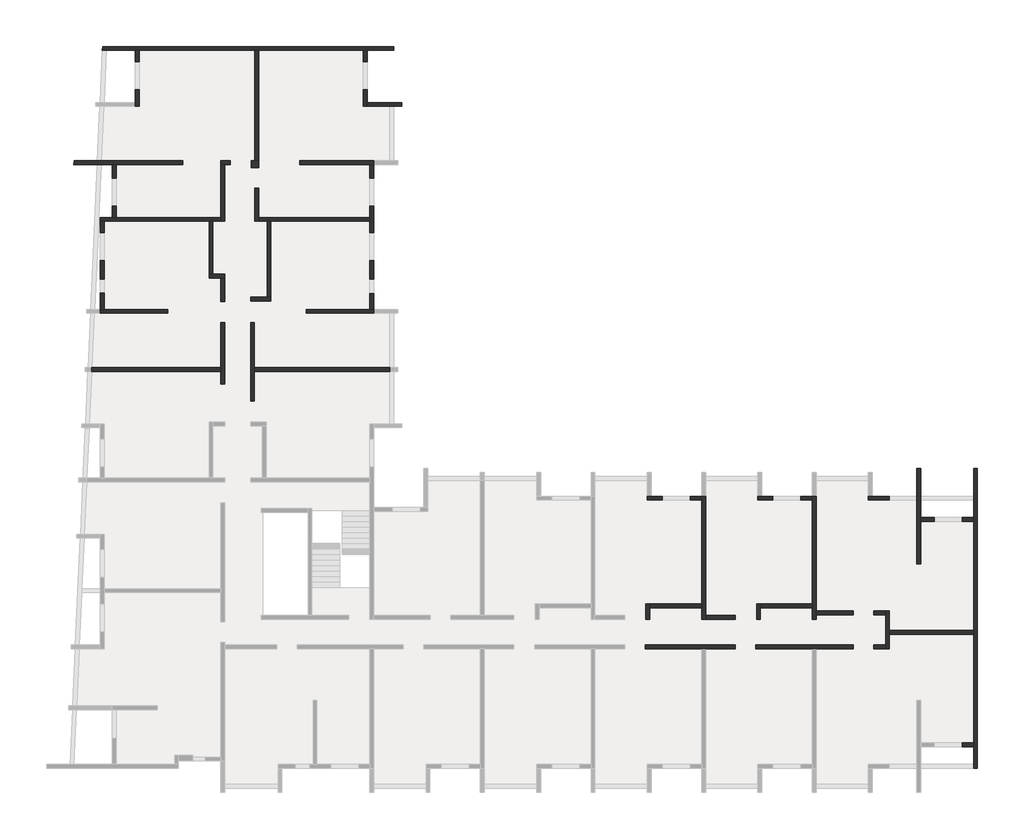
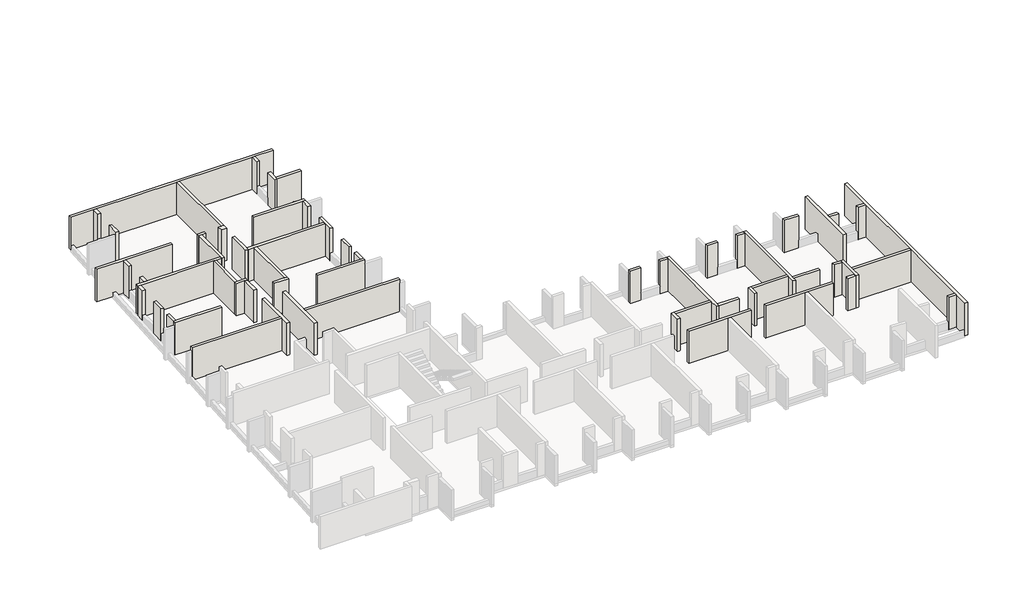
# One storey, part 2 of 4: 59 walls.
"""IFC4 building model written with IfcOpenShell, lengths in millimetres."""

from ifc_helpers import new_model, si_unit, frame, origin, place, context, project, spatial, polyline, outline, extrude, faceted_brep, element, save

model = new_model("IFC4")

# Units and contexts
model_context = context("Model", 3, world=origin())
ifc_project = project(units=[si_unit("LENGTHUNIT", "METRE", prefix="MILLI")], contexts=[model_context])

# Site, building, storey
site = spatial("IfcSite", under=ifc_project)
building = spatial("IfcBuilding", under=site)
storey = spatial("IfcBuildingStorey", under=building, Elevation=12290.0)

# Walls
placement = place(None, origin())
element("IfcWall", 1, ObjectType="MHA20", at=placement, inside=storey, context=model_context, shape_type="Brep", body=[
    faceted_brep([(-2535.6912908, -13279.0672499, 12290.0), (-2535.6912908, -12519.0672499, 12290.0), (-2535.6912908, -12319.0672499, 12290.0), (-2535.6912908, -11329.0672499, 12290.0), (-2535.6912908, -11329.0672499, 14820.0), (-2535.6912908, -12319.0672499, 14820.0), (-2535.6912908, -12519.0672499, 14820.0), (-2535.6912908, -13279.0672499, 14820.0), (-2735.6912908, -13279.0672499, 12290.0), (-2735.6912908, -13279.0672499, 14820.0), (-2735.6912908, -13079.0672499, 14820.0), (-2735.6912908, -11529.0672499, 14820.0), (-2735.6912908, -11329.0672499, 14820.0), (-2735.6912908, -11329.0672499, 12290.0), (-2735.6912908, -11529.0672499, 12290.0), (-2735.6912908, -13079.0672499, 12290.0)], [[[0, 1, 2, 3, 4, 5, 6, 7]], [[8, 9, 10, 11, 12, 13, 14, 15]], [[3, 2, 1, 0, 8, 15, 14, 13]], [[7, 6, 5, 4, 12, 11, 10, 9]], [[4, 3, 13, 12]], [[0, 7, 9, 8]]]),
])
element("IfcWall", 2, ObjectType="MHA20", at=placement, inside=storey, context=model_context, shape_type="SweptSolid", body=[
    extrude(outline(polyline([(1794.3087092, -12519.0672499), (-2535.6912908, -12519.0672499), (-2535.6912908, -12319.0672499), (1794.3087092, -12319.0672499), (1794.3087092, -12519.0672499)])), frame((0.0, 0.0, 12290.0), z_axis=(0.0, 0.0, 1.0), x_axis=(1.0, 0.0, 0.0)), (0.0, 0.0, 1.0), 2530.0),
])
element("IfcWall", 3, ObjectType="MHA20", at=placement, inside=storey, context=model_context, shape_type="Brep", body=[
    faceted_brep([(1994.3087092, -19419.0672499, 12290.0), (1994.3087092, -3999.0672499, 12290.0), (1994.3087092, -3999.0672499, 14820.0), (1994.3087092, -19419.0672499, 14820.0), (1794.3087092, -19419.0672499, 12290.0), (1794.3087092, -19419.0672499, 12610.0), (1794.3087092, -19419.0672499, 14670.0), (1794.3087092, -19419.0672499, 14820.0), (1794.3087092, -18319.0672499, 14820.0), (1794.3087092, -18119.0672499, 14820.0), (1794.3087092, -12519.0672499, 14820.0), (1794.3087092, -12319.0672499, 14820.0), (1794.3087092, -6719.0672499, 14820.0), (1794.3087092, -6519.0672499, 14820.0), (1794.3087092, -3999.0672499, 14820.0), (1794.3087092, -3999.0672499, 12290.0), (1794.3087092, -6519.0672499, 12290.0), (1794.3087092, -6719.0672499, 12290.0), (1794.3087092, -12319.0672499, 12290.0), (1794.3087092, -12519.0672499, 12290.0), (1794.3087092, -18119.0672499, 12290.0), (1794.3087092, -18319.0672499, 12290.0)], [[[0, 1, 2, 3]], [[4, 5, 6, 7, 8, 9, 10, 11, 12, 13, 14, 15, 16, 17, 18, 19, 20, 21]], [[1, 0, 4, 21, 20, 19, 18, 17, 16, 15]], [[2, 1, 15, 14]], [[3, 2, 14, 13, 12, 11, 10, 9, 8, 7]], [[0, 3, 7, 6, 5, 4]]]),
])
element("IfcWall", 4, ObjectType="MHA20", at=placement, inside=storey, context=model_context, shape_type="SweptSolid", body=[
    extrude(outline(polyline([(-2735.6912908, -11529.0672499), (-3335.6912908, -11529.0672499), (-3335.6912908, -11329.0672499), (-2735.6912908, -11329.0672499), (-2735.6912908, -11529.0672499)])), frame((0.0, 0.0, 12290.0), z_axis=(0.0, 0.0, 1.0), x_axis=(1.0, 0.0, 0.0)), (0.0, 0.0, 1.0), 2530.0),
])
element("IfcWall", 5, ObjectType="MHA20", at=placement, inside=storey, context=model_context, shape_type="SweptSolid", body=[
    extrude(outline(polyline([(-2735.6912908, -13279.0672499), (-3335.6912908, -13279.0672499), (-3335.6912908, -13079.0672499), (-2735.6912908, -13079.0672499), (-2735.6912908, -13279.0672499)])), frame((0.0, 0.0, 12290.0), z_axis=(0.0, 0.0, 1.0), x_axis=(1.0, 0.0, 0.0)), (0.0, 0.0, 1.0), 2530.0),
])
element("IfcWall", 6, ObjectType="MHA20", at=placement, inside=storey, context=model_context, shape_type="SweptSolid", body=[
    extrude(outline(polyline([(-6305.6912908, -11329.0672499), (-4395.6912908, -11329.0672499), (-4395.6912908, -11529.0672499), (-6305.6912908, -11529.0672499), (-6305.6912908, -11329.0672499)])), frame((0.0, 0.0, 12290.0), z_axis=(0.0, 0.0, 1.0), x_axis=(1.0, 0.0, 0.0)), (0.0, 0.0, 1.0), 2530.0),
])
element("IfcWall", 7, ObjectType="MHA20", at=placement, inside=storey, context=model_context, shape_type="Brep", body=[
    faceted_brep([(-4395.6912908, -13079.0672499, 12290.0), (-9410.6912908, -13079.0672499, 12290.0), (-9410.6912908, -13079.0672499, 14820.0), (-4395.6912908, -13079.0672499, 14820.0), (-4395.6912908, -13279.0672499, 12290.0), (-4395.6912908, -13279.0672499, 14820.0), (-6305.6912908, -13279.0672499, 14820.0), (-6505.6912908, -13279.0672499, 14820.0), (-9410.6912908, -13279.0672499, 14820.0), (-9410.6912908, -13279.0672499, 12290.0), (-6505.6912908, -13279.0672499, 12290.0), (-6305.6912908, -13279.0672499, 12290.0)], [[[0, 1, 2, 3]], [[4, 5, 6, 7, 8, 9, 10, 11]], [[1, 0, 4, 11, 10, 9]], [[2, 1, 9, 8]], [[3, 2, 8, 7, 6, 5]], [[0, 3, 5, 4]]]),
])
element("IfcWall", 8, ObjectType="MHA20", at=placement, inside=storey, context=model_context, shape_type="Brep", body=[
    faceted_brep([(-6305.6912908, -11759.0672499, 12290.0), (-6305.6912908, -11529.0672499, 12290.0), (-6305.6912908, -11329.0672499, 12290.0), (-6305.6912908, -5419.0672499, 12290.0), (-6305.6912908, -5419.0672499, 14520.0), (-6305.6912908, -5419.0672499, 14820.0), (-6305.6912908, -11329.0672499, 14820.0), (-6305.6912908, -11529.0672499, 14820.0), (-6305.6912908, -11759.0672499, 14820.0), (-6505.6912908, -11759.0672499, 12290.0), (-6505.6912908, -11759.0672499, 14820.0), (-6505.6912908, -11159.0672499, 14820.0), (-6505.6912908, -10959.0672499, 14820.0), (-6505.6912908, -5619.0672499, 14820.0), (-6505.6912908, -5419.0672499, 14820.0), (-6505.6912908, -5419.0672499, 14520.0), (-6505.6912908, -5419.0672499, 12290.0), (-6505.6912908, -5619.0672499, 12290.0), (-6505.6912908, -10959.0672499, 12290.0), (-6505.6912908, -11159.0672499, 12290.0)], [[[0, 1, 2, 3, 4, 5, 6, 7, 8]], [[9, 10, 11, 12, 13, 14, 15, 16, 17, 18, 19]], [[3, 2, 1, 0, 9, 19, 18, 17, 16]], [[8, 7, 6, 5, 14, 13, 12, 11, 10]], [[0, 8, 10, 9]], [[5, 4, 3, 16, 15, 14]]]),
])
element("IfcWall", 9, ObjectType="MHA20", at=placement, inside=storey, context=model_context, shape_type="SweptSolid", body=[
    extrude(outline(polyline([(1794.3087092, -18319.0672499), (1214.3087092, -18319.0672499), (1214.3087092, -18119.0672499), (1794.3087092, -18119.0672499), (1794.3087092, -18319.0672499)])), frame((0.0, 0.0, 12290.0), z_axis=(0.0, 0.0, 1.0), x_axis=(1.0, 0.0, 0.0)), (0.0, 0.0, 1.0), 2530.0),
])
element("IfcWall", 10, ObjectType="MHA20", at=placement, inside=storey, context=model_context, shape_type="SweptSolid", body=[
    extrude(outline(polyline([(-225.6912908, -6719.0672499), (-925.6912908, -6719.0672499), (-925.6912908, -6519.0672499), (-225.6912908, -6519.0672499), (-225.6912908, -6719.0672499)])), frame((0.0, 0.0, 12290.0), z_axis=(0.0, 0.0, 1.0), x_axis=(1.0, 0.0, 0.0)), (0.0, 0.0, 1.0), 2530.0),
])
element("IfcWall", 11, ObjectType="MHA20", at=placement, inside=storey, context=model_context, shape_type="SweptSolid", body=[
    extrude(outline(polyline([(1794.3087092, -6719.0672499), (1214.3087092, -6719.0672499), (1214.3087092, -6519.0672499), (1794.3087092, -6519.0672499), (1794.3087092, -6719.0672499)])), frame((0.0, 0.0, 12290.0), z_axis=(0.0, 0.0, 1.0), x_axis=(1.0, 0.0, 0.0)), (0.0, 0.0, 1.0), 2530.0),
])
element("IfcWall", 12, ObjectType="MHA20", at=placement, inside=storey, context=model_context, shape_type="Brep", body=[
    faceted_brep([(-1125.6912908, -3999.0672499, 12290.0), (-1125.6912908, -5419.0672499, 12290.0), (-1125.6912908, -5619.0672499, 12290.0), (-1125.6912908, -8899.0672499, 12290.0), (-1125.6912908, -8899.0672499, 14820.0), (-1125.6912908, -3999.0672499, 14820.0), (-925.6912908, -3999.0672499, 12290.0), (-925.6912908, -3999.0672499, 14820.0), (-925.6912908, -6519.0672499, 14820.0), (-925.6912908, -6719.0672499, 14820.0), (-925.6912908, -8899.0672499, 14820.0), (-925.6912908, -8899.0672499, 12290.0), (-925.6912908, -6719.0672499, 12290.0), (-925.6912908, -6519.0672499, 12290.0)], [[[0, 1, 2, 3, 4, 5]], [[6, 7, 8, 9, 10, 11, 12, 13]], [[3, 2, 1, 0, 6, 13, 12, 11]], [[4, 3, 11, 10]], [[5, 4, 10, 9, 8, 7]], [[0, 5, 7, 6]]]),
])
element("IfcWall", 13, ObjectType="MHA20", at=placement, inside=storey, context=model_context, shape_type="Brep", body=[
    faceted_brep([(-3615.6912908, -5619.0672499, 12290.0), (-2545.6912908, -5619.0672499, 12290.0), (-2545.6912908, -5619.0672499, 12890.0), (-2545.6912908, -5619.0672499, 14820.0), (-3615.6912908, -5619.0672499, 14820.0), (-3615.6912908, -5419.0672499, 12290.0), (-3615.6912908, -5419.0672499, 14520.0), (-3615.6912908, -5419.0672499, 14820.0), (-2545.6912908, -5419.0672499, 14820.0), (-2545.6912908, -5419.0672499, 12890.0), (-2545.6912908, -5419.0672499, 12290.0), (-3415.6912908, -5419.0672499, 12290.0)], [[[0, 1, 2, 3, 4]], [[5, 6, 7, 8, 9, 10, 11]], [[1, 0, 5, 11, 10]], [[3, 2, 1, 10, 9, 8]], [[4, 3, 8, 7]], [[0, 4, 7, 6, 5]]]),
])
element("IfcWall", 14, ObjectType="MHA20", at=placement, inside=storey, context=model_context, shape_type="Brep", body=[
    faceted_brep([(-11995.6912908, -11759.0672499, 12290.0), (-11995.6912908, -11559.0672499, 12290.0), (-11995.6912908, -5419.0672499, 12290.0), (-11995.6912908, -5419.0672499, 14520.0), (-11995.6912908, -5419.0672499, 14820.0), (-11995.6912908, -11559.0672499, 14820.0), (-11995.6912908, -11759.0672499, 14820.0), (-12195.6912908, -11759.0672499, 12290.0), (-12195.6912908, -11759.0672499, 14820.0), (-12195.6912908, -11159.0672499, 14820.0), (-12195.6912908, -10959.0672499, 14820.0), (-12195.6912908, -5619.0672499, 14820.0), (-12195.6912908, -5419.0672499, 14820.0), (-12195.6912908, -5419.0672499, 14520.0), (-12195.6912908, -5419.0672499, 12290.0), (-12195.6912908, -5619.0672499, 12290.0), (-12195.6912908, -10959.0672499, 12290.0), (-12195.6912908, -11159.0672499, 12290.0)], [[[0, 1, 2, 3, 4, 5, 6]], [[7, 8, 9, 10, 11, 12, 13, 14, 15, 16, 17]], [[2, 1, 0, 7, 17, 16, 15, 14]], [[6, 5, 4, 12, 11, 10, 9, 8]], [[0, 6, 8, 7]], [[4, 3, 2, 14, 13, 12]]]),
])
element("IfcWall", 15, ObjectType="MHA20", at=placement, inside=storey, context=model_context, shape_type="Brep", body=[
    faceted_brep([(-9305.6912908, -5619.0672499, 12290.0), (-8525.6912908, -5619.0672499, 12290.0), (-8525.6912908, -5619.0672499, 12890.0), (-8525.6912908, -5619.0672499, 14820.0), (-9305.6912908, -5619.0672499, 14820.0), (-9305.6912908, -5419.0672499, 12290.0), (-9305.6912908, -5419.0672499, 14520.0), (-9305.6912908, -5419.0672499, 14820.0), (-8525.6912908, -5419.0672499, 14820.0), (-8525.6912908, -5419.0672499, 12890.0), (-8525.6912908, -5419.0672499, 12290.0), (-9105.6912908, -5419.0672499, 12290.0)], [[[0, 1, 2, 3, 4]], [[5, 6, 7, 8, 9, 10, 11]], [[1, 0, 5, 11, 10]], [[3, 2, 1, 10, 9, 8]], [[4, 3, 8, 7]], [[0, 4, 7, 6, 5]]]),
])
element("IfcWall", 16, ObjectType="MHA20", at=placement, inside=storey, context=model_context, shape_type="Brep", body=[
    faceted_brep([(-14995.6912908, -5619.0672499, 12290.0), (-14215.6912908, -5619.0672499, 12290.0), (-14215.6912908, -5619.0672499, 12890.0), (-14215.6912908, -5619.0672499, 14820.0), (-14995.6912908, -5619.0672499, 14820.0), (-14995.6912908, -5419.0672499, 12290.0), (-14995.6912908, -5419.0672499, 14520.0), (-14995.6912908, -5419.0672499, 14820.0), (-14215.6912908, -5419.0672499, 14820.0), (-14215.6912908, -5419.0672499, 12890.0), (-14215.6912908, -5419.0672499, 12290.0), (-14795.6912908, -5419.0672499, 12290.0)], [[[0, 1, 2, 3, 4]], [[5, 6, 7, 8, 9, 10, 11]], [[1, 0, 5, 11, 10]], [[3, 2, 1, 10, 9, 8]], [[4, 3, 8, 7]], [[0, 4, 7, 6, 5]]]),
])
element("IfcWall", 17, ObjectType="MHA20", at=placement, inside=storey, context=model_context, shape_type="Brep", body=[
    faceted_brep([(-12775.6912908, -5619.0672499, 12290.0), (-12195.6912908, -5619.0672499, 12290.0), (-12195.6912908, -5619.0672499, 14820.0), (-12775.6912908, -5619.0672499, 14820.0), (-12775.6912908, -5619.0672499, 12890.0), (-12775.6912908, -5419.0672499, 12290.0), (-12775.6912908, -5419.0672499, 12890.0), (-12775.6912908, -5419.0672499, 14820.0), (-12195.6912908, -5419.0672499, 14820.0), (-12195.6912908, -5419.0672499, 12290.0)], [[[0, 1, 2, 3, 4]], [[5, 6, 7, 8, 9]], [[1, 0, 5, 9]], [[3, 2, 8, 7]], [[0, 4, 3, 7, 6, 5]], [[2, 1, 9, 8]]]),
])
element("IfcWall", 18, ObjectType="MHA20", at=placement, inside=storey, context=model_context, shape_type="Brep", body=[
    faceted_brep([(-10470.6912908, -13079.0672499, 12290.0), (-15100.6912908, -13079.0672499, 12290.0), (-15100.6912908, -13079.0672499, 14820.0), (-10470.6912908, -13079.0672499, 14820.0), (-10470.6912908, -13279.0672499, 12290.0), (-10470.6912908, -13279.0672499, 14820.0), (-11995.6912908, -13279.0672499, 14820.0), (-12195.6912908, -13279.0672499, 14820.0), (-15100.6912908, -13279.0672499, 14820.0), (-15100.6912908, -13279.0672499, 12290.0), (-12195.6912908, -13279.0672499, 12290.0), (-11995.6912908, -13279.0672499, 12290.0)], [[[0, 1, 2, 3]], [[4, 5, 6, 7, 8, 9, 10, 11]], [[1, 0, 4, 11, 10, 9]], [[2, 1, 9, 8]], [[3, 2, 8, 7, 6, 5]], [[0, 3, 5, 4]]]),
])
element("IfcWall", 19, ObjectType="MHA20", at=placement, inside=storey, context=model_context, shape_type="SweptSolid", body=[
    extrude(outline(polyline([(-11995.6912908, -11559.0672499), (-10470.6912908, -11559.0672499), (-10470.6912908, -11759.0672499), (-11995.6912908, -11759.0672499), (-11995.6912908, -11559.0672499)])), frame((0.0, 0.0, 12290.0), z_axis=(0.0, 0.0, 1.0), x_axis=(1.0, 0.0, 0.0)), (0.0, 0.0, 1.0), 2530.0),
])
element("IfcWall", 20, ObjectType="MHA20", at=placement, inside=storey, context=model_context, shape_type="Brep", body=[
    faceted_brep([(-9170.6912908, -11759.0672499, 12290.0), (-9170.6912908, -11159.0672499, 12290.0), (-9170.6912908, -10959.0672499, 12290.0), (-9170.6912908, -10959.0672499, 14820.0), (-9170.6912908, -11159.0672499, 14820.0), (-9170.6912908, -11759.0672499, 14820.0), (-9370.6912908, -11759.0672499, 12290.0), (-9370.6912908, -11759.0672499, 14820.0), (-9370.6912908, -10959.0672499, 14820.0), (-9370.6912908, -10959.0672499, 12290.0)], [[[0, 1, 2, 3, 4, 5]], [[6, 7, 8, 9]], [[2, 1, 0, 6, 9]], [[5, 4, 3, 8, 7]], [[0, 5, 7, 6]], [[3, 2, 9, 8]]]),
])
element("IfcWall", 21, ObjectType="MHA20", at=placement, inside=storey, context=model_context, shape_type="SweptSolid", body=[
    extrude(outline(polyline([(-6505.6912908, -11159.0672499), (-9170.6912908, -11159.0672499), (-9170.6912908, -10959.0672499), (-6505.6912908, -10959.0672499), (-6505.6912908, -11159.0672499)])), frame((0.0, 0.0, 12290.0), z_axis=(0.0, 0.0, 1.0), x_axis=(1.0, 0.0, 0.0)), (0.0, 0.0, 1.0), 2530.0),
])
element("IfcWall", 22, ObjectType="MHA20", at=placement, inside=storey, context=model_context, shape_type="Brep", body=[
    faceted_brep([(-14860.6912908, -11759.0672499, 12290.0), (-14860.6912908, -11159.0672499, 12290.0), (-14860.6912908, -10959.0672499, 12290.0), (-14860.6912908, -10959.0672499, 14820.0), (-14860.6912908, -11159.0672499, 14820.0), (-14860.6912908, -11759.0672499, 14820.0), (-15060.6912908, -11759.0672499, 12290.0), (-15060.6912908, -11759.0672499, 14820.0), (-15060.6912908, -10959.0672499, 14820.0), (-15060.6912908, -10959.0672499, 12290.0)], [[[0, 1, 2, 3, 4, 5]], [[6, 7, 8, 9]], [[2, 1, 0, 6, 9]], [[5, 4, 3, 8, 7]], [[0, 5, 7, 6]], [[3, 2, 9, 8]]]),
])
element("IfcWall", 23, ObjectType="MHA20", at=placement, inside=storey, context=model_context, shape_type="SweptSolid", body=[
    extrude(outline(polyline([(-12195.6912908, -11159.0672499), (-14860.6912908, -11159.0672499), (-14860.6912908, -10959.0672499), (-12195.6912908, -10959.0672499), (-12195.6912908, -11159.0672499)])), frame((0.0, 0.0, 12290.0), z_axis=(0.0, 0.0, 1.0), x_axis=(1.0, 0.0, 0.0)), (0.0, 0.0, 1.0), 2530.0),
])
element("IfcWall", 24, ObjectType="MHA20", at=placement, inside=storey, context=model_context, shape_type="Brep", body=[
    faceted_brep([(-35205.6912908, -509.0672499, 12290.0), (-35205.6912908, 1000.9327501, 12290.0), (-35205.6912908, 1200.9327501, 12290.0), (-35205.6912908, 3530.9327501, 12290.0), (-35205.6912908, 3530.9327501, 14820.0), (-35205.6912908, 1200.9327501, 14820.0), (-35205.6912908, 1000.9327501, 14820.0), (-35205.6912908, -509.0672499, 14820.0), (-35405.6912908, -509.0672499, 12290.0), (-35405.6912908, -509.0672499, 14820.0), (-35405.6912908, 3530.9327501, 14820.0), (-35405.6912908, 3530.9327501, 12290.0)], [[[0, 1, 2, 3, 4, 5, 6, 7]], [[8, 9, 10, 11]], [[3, 2, 1, 0, 8, 11]], [[4, 3, 11, 10]], [[7, 6, 5, 4, 10, 9]], [[0, 7, 9, 8]]]),
])
element("IfcWall", 25, ObjectType="MHA20", at=placement, inside=storey, context=model_context, shape_type="Brep", body=[
    faceted_brep([(-29395.6912908, 16950.9327501, 12290.0), (-29395.6912908, 17530.9327501, 12290.0), (-29395.6912908, 17530.9327501, 14820.0), (-29395.6912908, 16950.9327501, 14820.0), (-29395.6912908, 16950.9327501, 12890.0), (-29595.6912908, 16950.9327501, 12290.0), (-29595.6912908, 16950.9327501, 12890.0), (-29595.6912908, 16950.9327501, 14820.0), (-29595.6912908, 17530.9327501, 14820.0), (-29595.6912908, 17530.9327501, 12290.0)], [[[0, 1, 2, 3, 4]], [[5, 6, 7, 8, 9]], [[1, 0, 5, 9]], [[3, 2, 8, 7]], [[0, 4, 3, 7, 6, 5]], [[2, 1, 9, 8]]]),
])
element("IfcWall", 26, ObjectType="MHA20", at=placement, inside=storey, context=model_context, shape_type="Brep", body=[
    faceted_brep([(-36935.6912908, 1000.9327501, 12290.0), (-36935.6912908, 1000.9327501, 14820.0), (-43571.6196137, 1000.9327501, 14820.0), (-43571.6196137, 1000.9327501, 14520.0), (-43571.6196137, 1000.9327501, 12290.0), (-36935.6912908, 1200.9327501, 14820.0), (-36935.6912908, 1200.9327501, 12290.0), (-43562.5466312, 1200.9327501, 12290.0), (-43562.5466312, 1200.9327501, 14520.0), (-43562.5466312, 1200.9327501, 14820.0)], [[[0, 1, 2, 3, 4]], [[5, 6, 7, 8, 9]], [[6, 0, 4, 7]], [[1, 5, 9, 2]], [[4, 3, 2, 9, 8, 7]], [[1, 0, 6, 5]]]),
])
element("IfcWall", 27, ObjectType="MHA20", at=placement, inside=storey, context=model_context, shape_type="Brep", body=[
    faceted_brep([(-35205.6912908, 1000.9327501, 12290.0), (-28235.6912908, 1000.9327501, 12290.0), (-28235.6912908, 1000.9327501, 14520.0), (-28235.6912908, 1000.9327501, 14820.0), (-35205.6912908, 1000.9327501, 14820.0), (-35205.6912908, 1200.9327501, 12290.0), (-35205.6912908, 1200.9327501, 14820.0), (-28235.6912908, 1200.9327501, 14820.0), (-28235.6912908, 1200.9327501, 14520.0), (-28235.6912908, 1200.9327501, 12290.0)], [[[0, 1, 2, 3, 4]], [[5, 6, 7, 8, 9]], [[1, 0, 5, 9]], [[3, 2, 1, 9, 8, 7]], [[4, 3, 7, 6]], [[0, 4, 6, 5]]]),
])
element("IfcWall", 28, ObjectType="MHA20", at=placement, inside=storey, context=model_context, shape_type="Brep", body=[
    faceted_brep([(-35405.6912908, 4620.9327501, 12290.0), (-34355.6912908, 4620.9327501, 12290.0), (-34355.6912908, 4620.9327501, 14820.0), (-35405.6912908, 4620.9327501, 14820.0), (-35405.6912908, 4820.9327501, 12290.0), (-35405.6912908, 4820.9327501, 14820.0), (-34555.6912908, 4820.9327501, 14820.0), (-34355.6912908, 4820.9327501, 14820.0), (-34355.6912908, 4820.9327501, 12290.0), (-34555.6912908, 4820.9327501, 12290.0)], [[[0, 1, 2, 3]], [[4, 5, 6, 7, 8, 9]], [[1, 0, 4, 9, 8]], [[3, 2, 7, 6, 5]], [[0, 3, 5, 4]], [[2, 1, 8, 7]]]),
])
element("IfcWall", 29, ObjectType="MHA20", at=placement, inside=storey, context=model_context, shape_type="SweptSolid", body=[
    extrude(outline(polyline([(-34355.6912908, 8730.9327501), (-34355.6912908, 4820.9327501), (-34555.6912908, 4820.9327501), (-34555.6912908, 8730.9327501), (-34355.6912908, 8730.9327501)])), frame((0.0, 0.0, 12290.0), z_axis=(0.0, 0.0, 1.0), x_axis=(1.0, 0.0, 0.0)), (0.0, 0.0, 1.0), 2530.0),
])
element("IfcWall", 30, ObjectType="MHA20", at=placement, inside=storey, context=model_context, shape_type="Brep", body=[
    faceted_brep([(-29065.6912908, 4200.9327501, 12290.0), (-29065.6912908, 5020.9327501, 12290.0), (-29065.6912908, 5020.9327501, 12890.0), (-29065.6912908, 5020.9327501, 14820.0), (-29065.6912908, 4200.9327501, 14820.0), (-29265.6912908, 4200.9327501, 12290.0), (-29265.6912908, 4200.9327501, 14820.0), (-29265.6912908, 5020.9327501, 14820.0), (-29265.6912908, 5020.9327501, 12890.0), (-29265.6912908, 5020.9327501, 12290.0)], [[[0, 1, 2, 3, 4]], [[5, 6, 7, 8, 9]], [[1, 0, 5, 9]], [[3, 2, 1, 9, 8, 7]], [[4, 3, 7, 6]], [[0, 4, 6, 5]]]),
])
element("IfcWall", 31, ObjectType="MHA20", at=placement, inside=storey, context=model_context, shape_type="Brep", body=[
    faceted_brep([(-29065.6912908, 5760.9327501, 12290.0), (-29065.6912908, 6710.9327501, 12290.0), (-29065.6912908, 6710.9327501, 12890.0), (-29065.6912908, 6710.9327501, 14820.0), (-29065.6912908, 5760.9327501, 14820.0), (-29065.6912908, 5760.9327501, 12890.0), (-29265.6912908, 5760.9327501, 12290.0), (-29265.6912908, 5760.9327501, 12890.0), (-29265.6912908, 5760.9327501, 14820.0), (-29265.6912908, 6710.9327501, 14820.0), (-29265.6912908, 6710.9327501, 12890.0), (-29265.6912908, 6710.9327501, 12290.0)], [[[0, 1, 2, 3, 4, 5]], [[6, 7, 8, 9, 10, 11]], [[1, 0, 6, 11]], [[3, 2, 1, 11, 10, 9]], [[4, 3, 9, 8]], [[0, 5, 4, 8, 7, 6]]]),
])
element("IfcWall", 32, ObjectType="MHA20", at=placement, inside=storey, context=model_context, shape_type="Brep", body=[
    faceted_brep([(-29065.6912908, 8150.9327501, 12290.0), (-29065.6912908, 9510.9327501, 12290.0), (-29065.6912908, 9510.9327501, 14820.0), (-29065.6912908, 8150.9327501, 14820.0), (-29065.6912908, 8150.9327501, 12890.0), (-29265.6912908, 8150.9327501, 12290.0), (-29265.6912908, 8150.9327501, 12890.0), (-29265.6912908, 8150.9327501, 14820.0), (-29265.6912908, 8730.9327501, 14820.0), (-29265.6912908, 8930.9327501, 14820.0), (-29265.6912908, 9510.9327501, 14820.0), (-29265.6912908, 9510.9327501, 12290.0), (-29265.6912908, 8930.9327501, 12290.0), (-29265.6912908, 8730.9327501, 12290.0)], [[[0, 1, 2, 3, 4]], [[5, 6, 7, 8, 9, 10, 11, 12, 13]], [[1, 0, 5, 13, 12, 11]], [[2, 1, 11, 10]], [[3, 2, 10, 9, 8, 7]], [[0, 4, 3, 7, 6, 5]]]),
])
element("IfcWall", 33, ObjectType="MHA20", at=placement, inside=storey, context=model_context, shape_type="SweptSolid", body=[
    extrude(outline(polyline([(-29065.6912908, 11650.9327501), (-29065.6912908, 10950.9327501), (-29265.6912908, 10950.9327501), (-29265.6912908, 11650.9327501), (-29065.6912908, 11650.9327501)])), frame((0.0, 0.0, 12290.0), z_axis=(0.0, 0.0, 1.0), x_axis=(1.0, 0.0, 0.0)), (0.0, 0.0, 1.0), 2530.0),
])
element("IfcWall", 34, ObjectType="MHA20", at=placement, inside=storey, context=model_context, shape_type="Brep", body=[
    faceted_brep([(-29595.6912908, 15510.9327501, 12290.0), (-29595.6912908, 14650.9327501, 12290.0), (-29595.6912908, 14650.9327501, 14820.0), (-29595.6912908, 15510.9327501, 14820.0), (-29595.6912908, 15510.9327501, 12890.0), (-29395.6912908, 15510.9327501, 12290.0), (-29395.6912908, 15510.9327501, 12890.0), (-29395.6912908, 15510.9327501, 14820.0), (-29395.6912908, 14850.9327501, 14820.0), (-29395.6912908, 14650.9327501, 14820.0), (-29395.6912908, 14650.9327501, 12290.0), (-29395.6912908, 14850.9327501, 12290.0)], [[[0, 1, 2, 3, 4]], [[5, 6, 7, 8, 9, 10, 11]], [[1, 0, 5, 11, 10]], [[3, 2, 9, 8, 7]], [[0, 4, 3, 7, 6, 5]], [[2, 1, 10, 9]]]),
])
element("IfcWall", 35, ObjectType="MHA20", at=placement, inside=storey, context=model_context, shape_type="SweptSolid", body=[
    extrude(outline(polyline([(-35175.6912908, 11850.9327501), (-35175.6912908, 17530.9327501), (-34975.6912908, 17530.9327501), (-34975.6912908, 11850.9327501), (-35175.6912908, 11850.9327501)])), frame((0.0, 0.0, 12290.0), z_axis=(0.0, 0.0, 1.0), x_axis=(1.0, 0.0, 0.0)), (0.0, 0.0, 1.0), 2530.0),
])
element("IfcWall", 36, ObjectType="MHA20", at=placement, inside=storey, context=model_context, shape_type="Brep", body=[
    faceted_brep([(-35175.6912908, 10430.9327501, 12290.0), (-35175.6912908, 8730.9327501, 12290.0), (-35175.6912908, 8730.9327501, 14820.0), (-35175.6912908, 10430.9327501, 14820.0), (-34975.6912908, 10430.9327501, 12290.0), (-34975.6912908, 10430.9327501, 14820.0), (-34975.6912908, 8930.9327501, 14820.0), (-34975.6912908, 8730.9327501, 14820.0), (-34975.6912908, 8730.9327501, 12290.0), (-34975.6912908, 8930.9327501, 12290.0)], [[[0, 1, 2, 3]], [[4, 5, 6, 7, 8, 9]], [[1, 0, 4, 9, 8]], [[3, 2, 7, 6, 5]], [[0, 3, 5, 4]], [[2, 1, 8, 7]]]),
])
element("IfcWall", 37, ObjectType="MHA20", at=placement, inside=storey, context=model_context, shape_type="Brep", body=[
    faceted_brep([(-36735.6912908, 360.9327501, 12290.0), (-36735.6912908, 3530.9327501, 12290.0), (-36735.6912908, 3530.9327501, 14820.0), (-36735.6912908, 360.9327501, 14820.0), (-36935.6912908, 360.9327501, 12290.0), (-36935.6912908, 360.9327501, 14820.0), (-36935.6912908, 1000.9327501, 14820.0), (-36935.6912908, 1200.9327501, 14820.0), (-36935.6912908, 3530.9327501, 14820.0), (-36935.6912908, 3530.9327501, 12290.0), (-36935.6912908, 1200.9327501, 12290.0), (-36935.6912908, 1000.9327501, 12290.0)], [[[0, 1, 2, 3]], [[4, 5, 6, 7, 8, 9, 10, 11]], [[1, 0, 4, 11, 10, 9]], [[2, 1, 9, 8]], [[3, 2, 8, 7, 6, 5]], [[0, 3, 5, 4]]]),
])
element("IfcWall", 38, ObjectType="MHA20", at=placement, inside=storey, context=model_context, shape_type="Brep", body=[
    faceted_brep([(-41135.6912908, 14650.9327501, 12290.0), (-41135.6912908, 15510.9327501, 12290.0), (-41135.6912908, 15510.9327501, 12890.0), (-41135.6912908, 15510.9327501, 14820.0), (-41135.6912908, 14650.9327501, 14820.0), (-41335.6912908, 14650.9327501, 12290.0), (-41335.6912908, 14650.9327501, 14820.0), (-41335.6912908, 15510.9327501, 14820.0), (-41335.6912908, 15510.9327501, 12890.0), (-41335.6912908, 15510.9327501, 12290.0)], [[[0, 1, 2, 3, 4]], [[5, 6, 7, 8, 9]], [[1, 0, 5, 9]], [[3, 2, 1, 9, 8, 7]], [[4, 3, 7, 6]], [[0, 4, 6, 5]]]),
])
element("IfcWall", 39, ObjectType="MHA20", at=placement, inside=storey, context=model_context, shape_type="Brep", body=[
    faceted_brep([(-41135.6912908, 16950.9327501, 12290.0), (-41135.6912908, 17530.9327501, 12290.0), (-41135.6912908, 17530.9327501, 14820.0), (-41135.6912908, 16950.9327501, 14820.0), (-41135.6912908, 16950.9327501, 12890.0), (-41335.6912908, 16950.9327501, 12290.0), (-41335.6912908, 16950.9327501, 12890.0), (-41335.6912908, 16950.9327501, 14820.0), (-41335.6912908, 17530.9327501, 14820.0), (-41335.6912908, 17530.9327501, 12290.0)], [[[0, 1, 2, 3, 4]], [[5, 6, 7, 8, 9]], [[1, 0, 5, 9]], [[3, 2, 8, 7]], [[0, 4, 3, 7, 6, 5]], [[2, 1, 9, 8]]]),
])
element("IfcWall", 40, ObjectType="MHA20", at=placement, inside=storey, context=model_context, shape_type="Brep", body=[
    faceted_brep([(-36735.6912908, 8730.9327501, 12290.0), (-36735.6912908, 11650.9327501, 12290.0), (-36735.6912908, 11650.9327501, 14820.0), (-36735.6912908, 8730.9327501, 14820.0), (-36935.6912908, 8730.9327501, 12290.0), (-36935.6912908, 8730.9327501, 14820.0), (-36935.6912908, 8930.9327501, 14820.0), (-36935.6912908, 11650.9327501, 14820.0), (-36935.6912908, 11650.9327501, 12290.0), (-36935.6912908, 8930.9327501, 12290.0)], [[[0, 1, 2, 3]], [[4, 5, 6, 7, 8, 9]], [[1, 0, 4, 9, 8]], [[3, 2, 7, 6, 5]], [[2, 1, 8, 7]], [[0, 3, 5, 4]]]),
])
element("IfcWall", 41, ObjectType="MHA20", at=placement, inside=storey, context=model_context, shape_type="Brep", body=[
    faceted_brep([(-36935.6912908, 8930.9327501, 12290.0), (-42325.6912908, 8930.9327501, 12290.0), (-42525.6912908, 8930.9327501, 12290.0), (-43135.6912908, 8930.9327501, 12290.0), (-43135.6912908, 8930.9327501, 14820.0), (-42525.6912908, 8930.9327501, 14820.0), (-42325.6912908, 8930.9327501, 14820.0), (-36935.6912908, 8930.9327501, 14820.0), (-36935.6912908, 8730.9327501, 12290.0), (-36935.6912908, 8730.9327501, 14820.0), (-37335.6912908, 8730.9327501, 14820.0), (-37535.6912908, 8730.9327501, 14820.0), (-42935.6912908, 8730.9327501, 14820.0), (-43135.6912908, 8730.9327501, 14820.0), (-43135.6912908, 8730.9327501, 12290.0), (-42935.6912908, 8730.9327501, 12290.0), (-37535.6912908, 8730.9327501, 12290.0), (-37335.6912908, 8730.9327501, 12290.0)], [[[0, 1, 2, 3, 4, 5, 6, 7]], [[8, 9, 10, 11, 12, 13, 14, 15, 16, 17]], [[3, 2, 1, 0, 8, 17, 16, 15, 14]], [[7, 6, 5, 4, 13, 12, 11, 10, 9]], [[4, 3, 14, 13]], [[0, 7, 9, 8]]]),
])
element("IfcWall", 42, ObjectType="MHA20", at=placement, inside=storey, context=model_context, shape_type="SweptSolid", body=[
    extrude(outline(polyline([(-37535.6912908, 6010.9327501), (-37535.6912908, 8730.9327501), (-37335.6912908, 8730.9327501), (-37335.6912908, 6010.9327501), (-37535.6912908, 6010.9327501)])), frame((0.0, 0.0, 12290.0), z_axis=(0.0, 0.0, 1.0), x_axis=(1.0, 0.0, 0.0)), (0.0, 0.0, 1.0), 2530.0),
])
element("IfcWall", 43, ObjectType="MHA20", at=placement, inside=storey, context=model_context, shape_type="Brep", body=[
    faceted_brep([(-37535.6912908, 5810.9327501, 12290.0), (-36935.6912908, 5810.9327501, 12290.0), (-36735.6912908, 5810.9327501, 12290.0), (-36735.6912908, 5810.9327501, 14820.0), (-36935.6912908, 5810.9327501, 14820.0), (-37535.6912908, 5810.9327501, 14820.0), (-37535.6912908, 6010.9327501, 12290.0), (-37535.6912908, 6010.9327501, 14820.0), (-37335.6912908, 6010.9327501, 14820.0), (-36735.6912908, 6010.9327501, 14820.0), (-36735.6912908, 6010.9327501, 12290.0), (-37335.6912908, 6010.9327501, 12290.0)], [[[0, 1, 2, 3, 4, 5]], [[6, 7, 8, 9, 10, 11]], [[2, 1, 0, 6, 11, 10]], [[5, 4, 3, 9, 8, 7]], [[0, 5, 7, 6]], [[3, 2, 10, 9]]]),
])
element("IfcWall", 44, ObjectType="MHA20", at=placement, inside=storey, context=model_context, shape_type="Brep", body=[
    faceted_brep([(-39655.6912908, 4200.9327501, 12290.0), (-42935.6912908, 4200.9327501, 12290.0), (-43135.6912908, 4200.9327501, 12290.0), (-43135.6912908, 4200.9327501, 14520.0), (-43135.6912908, 4200.9327501, 14820.0), (-42935.6912908, 4200.9327501, 14820.0), (-39655.6912908, 4200.9327501, 14820.0), (-39655.6912908, 4000.9327501, 12290.0), (-39655.6912908, 4000.9327501, 14820.0), (-43135.6912908, 4000.9327501, 14820.0), (-43135.6912908, 4000.9327501, 14520.0), (-43135.6912908, 4000.9327501, 12290.0)], [[[0, 1, 2, 3, 4, 5, 6]], [[7, 8, 9, 10, 11]], [[2, 1, 0, 7, 11]], [[6, 5, 4, 9, 8]], [[0, 6, 8, 7]], [[4, 3, 2, 11, 10, 9]]]),
])
element("IfcWall", 45, ObjectType="MHA20", at=placement, inside=storey, context=model_context, shape_type="SweptSolid", body=[
    extrude(outline(polyline([(-36935.6912908, 4590.9327501), (-36935.6912908, 5810.9327501), (-36735.6912908, 5810.9327501), (-36735.6912908, 4590.9327501), (-36935.6912908, 4590.9327501)])), frame((0.0, 0.0, 12290.0), z_axis=(0.0, 0.0, 1.0), x_axis=(1.0, 0.0, 0.0)), (0.0, 0.0, 1.0), 2530.0),
])
element("IfcWall", 46, ObjectType="MHA20", at=placement, inside=storey, context=model_context, shape_type="Brep", body=[
    faceted_brep([(-42325.6912908, 8930.9327501, 12290.0), (-42325.6912908, 9510.9327501, 12290.0), (-42325.6912908, 9510.9327501, 12890.0), (-42325.6912908, 9510.9327501, 14820.0), (-42325.6912908, 8930.9327501, 14820.0), (-42525.6912908, 8930.9327501, 12290.0), (-42525.6912908, 8930.9327501, 14820.0), (-42525.6912908, 9510.9327501, 14820.0), (-42525.6912908, 9510.9327501, 12890.0), (-42525.6912908, 9510.9327501, 12290.0)], [[[0, 1, 2, 3, 4]], [[5, 6, 7, 8, 9]], [[1, 0, 5, 9]], [[3, 2, 1, 9, 8, 7]], [[4, 3, 7, 6]], [[0, 4, 6, 5]]]),
])
element("IfcWall", 47, ObjectType="MHA20", at=placement, inside=storey, context=model_context, shape_type="Brep", body=[
    faceted_brep([(-42935.6912908, 5770.9327501, 12290.0), (-42935.6912908, 6710.9327501, 12290.0), (-42935.6912908, 6710.9327501, 12890.0), (-42935.6912908, 6710.9327501, 14820.0), (-42935.6912908, 5770.9327501, 14820.0), (-42935.6912908, 5770.9327501, 12890.0), (-43135.6912908, 5770.9327501, 12290.0), (-43135.6912908, 5770.9327501, 12890.0), (-43135.6912908, 5770.9327501, 14820.0), (-43135.6912908, 6710.9327501, 14820.0), (-43135.6912908, 6710.9327501, 12890.0), (-43135.6912908, 6710.9327501, 12290.0)], [[[0, 1, 2, 3, 4, 5]], [[6, 7, 8, 9, 10, 11]], [[1, 0, 6, 11]], [[3, 2, 1, 11, 10, 9]], [[4, 3, 9, 8]], [[0, 5, 4, 8, 7, 6]]]),
])
element("IfcWall", 48, ObjectType="MHA20", at=placement, inside=storey, context=model_context, shape_type="Brep", body=[
    faceted_brep([(-42325.6912908, 10950.9327501, 12290.0), (-42325.6912908, 11650.9327501, 12290.0), (-42325.6912908, 11650.9327501, 14820.0), (-42325.6912908, 10950.9327501, 14820.0), (-42325.6912908, 10950.9327501, 12890.0), (-42525.6912908, 10950.9327501, 12290.0), (-42525.6912908, 10950.9327501, 12890.0), (-42525.6912908, 10950.9327501, 14820.0), (-42525.6912908, 11650.9327501, 14820.0), (-42525.6912908, 11650.9327501, 12290.0)], [[[0, 1, 2, 3, 4]], [[5, 6, 7, 8, 9]], [[1, 0, 5, 9]], [[3, 2, 8, 7]], [[0, 4, 3, 7, 6, 5]], [[2, 1, 9, 8]]]),
])
element("IfcWall", 49, ObjectType="MHA20", at=placement, inside=storey, context=model_context, shape_type="Brep", body=[
    faceted_brep([(-42935.6912908, 8150.9327501, 12290.0), (-42935.6912908, 8730.9327501, 12290.0), (-42935.6912908, 8730.9327501, 14820.0), (-42935.6912908, 8150.9327501, 14820.0), (-42935.6912908, 8150.9327501, 12890.0), (-43135.6912908, 8150.9327501, 12290.0), (-43135.6912908, 8150.9327501, 12890.0), (-43135.6912908, 8150.9327501, 14820.0), (-43135.6912908, 8730.9327501, 14820.0), (-43135.6912908, 8730.9327501, 12290.0)], [[[0, 1, 2, 3, 4]], [[5, 6, 7, 8, 9]], [[1, 0, 5, 9]], [[3, 2, 8, 7]], [[0, 4, 3, 7, 6, 5]], [[2, 1, 9, 8]]]),
])
element("IfcWall", 50, ObjectType="MHA20", at=placement, inside=storey, context=model_context, shape_type="Brep", body=[
    faceted_brep([(-43135.6912908, 5030.9327501, 12290.0), (-43135.6912908, 4200.9327501, 12290.0), (-43135.6912908, 4200.9327501, 14820.0), (-43135.6912908, 5030.9327501, 14820.0), (-43135.6912908, 5030.9327501, 12890.0), (-42935.6912908, 5030.9327501, 12290.0), (-42935.6912908, 5030.9327501, 12890.0), (-42935.6912908, 5030.9327501, 14820.0), (-42935.6912908, 4200.9327501, 14820.0), (-42935.6912908, 4200.9327501, 12290.0)], [[[0, 1, 2, 3, 4]], [[5, 6, 7, 8, 9]], [[1, 0, 5, 9]], [[3, 2, 8, 7]], [[0, 4, 3, 7, 6, 5]], [[2, 1, 9, 8]]]),
])
element("IfcWall", 51, ObjectType="MHA20", at=placement, inside=storey, context=model_context, shape_type="Brep", body=[
    faceted_brep([(-7085.6912908, -5619.0672499, 12290.0), (-6505.6912908, -5619.0672499, 12290.0), (-6505.6912908, -5619.0672499, 14820.0), (-7085.6912908, -5619.0672499, 14820.0), (-7085.6912908, -5619.0672499, 12890.0), (-7085.6912908, -5419.0672499, 12290.0), (-7085.6912908, -5419.0672499, 12890.0), (-7085.6912908, -5419.0672499, 14820.0), (-6505.6912908, -5419.0672499, 14820.0), (-6505.6912908, -5419.0672499, 12290.0)], [[[0, 1, 2, 3, 4]], [[5, 6, 7, 8, 9]], [[1, 0, 5, 9]], [[3, 2, 8, 7]], [[0, 4, 3, 7, 6, 5]], [[2, 1, 9, 8]]]),
])
element("IfcWall", 52, ObjectType="MHA20", at=placement, inside=storey, context=model_context, shape_type="Brep", body=[
    faceted_brep([(-38895.6912908, 11850.9327501, 14820.0), (-38895.6912908, 11850.9327501, 12290.0), (-43079.4103153, 11850.9327501, 12290.0), (-43279.616007, 11850.9327501, 12290.0), (-44480.8501575, 11850.9327501, 12290.0), (-44480.8501575, 11850.9327501, 14820.0), (-38895.6912908, 11650.9327501, 12290.0), (-38895.6912908, 11650.9327501, 14820.0), (-42325.6912908, 11650.9327501, 14820.0), (-42525.6912908, 11650.9327501, 14820.0), (-44489.92314, 11650.9327501, 14820.0), (-44489.92314, 11650.9327501, 12290.0), (-42525.6912908, 11650.9327501, 12290.0), (-42325.6912908, 11650.9327501, 12290.0)], [[[0, 1, 2, 3, 4, 5]], [[6, 7, 8, 9, 10, 11, 12, 13]], [[1, 6, 13, 12, 11, 4, 3, 2]], [[7, 0, 5, 10, 9, 8]], [[1, 0, 7, 6]], [[5, 4, 11, 10]]]),
])
element("IfcWall", 53, ObjectType="MHA20", at=placement, inside=storey, context=model_context, shape_type="Brep", body=[
    faceted_brep([(-36435.6912908, 11850.9327501, 12290.0), (-36935.6912908, 11850.9327501, 12290.0), (-36935.6912908, 11850.9327501, 14820.0), (-36435.6912908, 11850.9327501, 14820.0), (-36435.6912908, 11650.9327501, 12290.0), (-36435.6912908, 11650.9327501, 14820.0), (-36735.6912908, 11650.9327501, 14820.0), (-36935.6912908, 11650.9327501, 14820.0), (-36935.6912908, 11650.9327501, 12290.0), (-36735.6912908, 11650.9327501, 12290.0)], [[[0, 1, 2, 3]], [[4, 5, 6, 7, 8, 9]], [[1, 0, 4, 9, 8]], [[3, 2, 7, 6, 5]], [[0, 3, 5, 4]], [[2, 1, 8, 7]]]),
])
element("IfcWall", 54, ObjectType="MHA20", at=placement, inside=storey, context=model_context, shape_type="Brep", body=[
    faceted_brep([(-28035.6912908, 17530.9327501, 12290.0), (-28035.6912908, 17530.9327501, 14820.0), (-29395.6912908, 17530.9327501, 14820.0), (-29595.6912908, 17530.9327501, 14820.0), (-34975.6912908, 17530.9327501, 14820.0), (-35175.6912908, 17530.9327501, 14820.0), (-41135.6912908, 17530.9327501, 14820.0), (-41335.6912908, 17530.9327501, 14820.0), (-43021.9433052, 17530.9327501, 14820.0), (-43021.9433052, 17530.9327501, 12290.0), (-41335.6912908, 17530.9327501, 12290.0), (-41135.6912908, 17530.9327501, 12290.0), (-35175.6912908, 17530.9327501, 12290.0), (-34975.6912908, 17530.9327501, 12290.0), (-29595.6912908, 17530.9327501, 12290.0), (-29395.6912908, 17530.9327501, 12290.0), (-28035.6912908, 17730.9327501, 14820.0), (-28035.6912908, 17730.9327501, 12290.0), (-43012.8703227, 17730.9327501, 12290.0), (-43012.8703227, 17730.9327501, 14820.0)], [[[0, 1, 2, 3, 4, 5, 6, 7, 8, 9, 10, 11, 12, 13, 14, 15]], [[16, 17, 18, 19]], [[17, 0, 15, 14, 13, 12, 11, 10, 9, 18]], [[1, 0, 17, 16]], [[1, 16, 19, 8, 7, 6, 5, 4, 3, 2]], [[9, 8, 19, 18]]]),
])
element("IfcWall", 55, ObjectType="MHA20", at=placement, inside=storey, context=model_context, shape_type="Brep", body=[
    faceted_brep([(-32865.6912908, 11650.9327501, 12290.0), (-29265.6912908, 11650.9327501, 12290.0), (-29065.6912908, 11650.9327501, 12290.0), (-29065.6912908, 11650.9327501, 14520.0), (-29065.6912908, 11650.9327501, 14820.0), (-29265.6912908, 11650.9327501, 14820.0), (-32865.6912908, 11650.9327501, 14820.0), (-32865.6912908, 11850.9327501, 12290.0), (-32865.6912908, 11850.9327501, 14820.0), (-29065.6912908, 11850.9327501, 14820.0), (-29065.6912908, 11850.9327501, 14520.0), (-29065.6912908, 11850.9327501, 12290.0)], [[[0, 1, 2, 3, 4, 5, 6]], [[7, 8, 9, 10, 11]], [[2, 1, 0, 7, 11]], [[6, 5, 4, 9, 8]], [[0, 6, 8, 7]], [[4, 3, 2, 11, 10, 9]]]),
])
element("IfcWall", 56, ObjectType="MHA20", at=placement, inside=storey, context=model_context, shape_type="Brep", body=[
    faceted_brep([(-34975.6912908, 8730.9327501, 12290.0), (-34555.6912908, 8730.9327501, 12290.0), (-34355.6912908, 8730.9327501, 12290.0), (-29265.6912908, 8730.9327501, 12290.0), (-29265.6912908, 8730.9327501, 14820.0), (-34355.6912908, 8730.9327501, 14820.0), (-34555.6912908, 8730.9327501, 14820.0), (-34975.6912908, 8730.9327501, 14820.0), (-34975.6912908, 8930.9327501, 12290.0), (-34975.6912908, 8930.9327501, 14820.0), (-29265.6912908, 8930.9327501, 14820.0), (-29265.6912908, 8930.9327501, 12290.0)], [[[0, 1, 2, 3, 4, 5, 6, 7]], [[8, 9, 10, 11]], [[3, 2, 1, 0, 8, 11]], [[7, 6, 5, 4, 10, 9]], [[4, 3, 11, 10]], [[0, 7, 9, 8]]]),
])
element("IfcWall", 57, ObjectType="MHA20", at=placement, inside=storey, context=model_context, shape_type="Brep", body=[
    faceted_brep([(-29065.6912908, 4200.9327501, 12290.0), (-29265.6912908, 4200.9327501, 12290.0), (-32545.6912908, 4200.9327501, 12290.0), (-32545.6912908, 4200.9327501, 14820.0), (-29265.6912908, 4200.9327501, 14820.0), (-29065.6912908, 4200.9327501, 14820.0), (-29065.6912908, 4200.9327501, 14520.0), (-29065.6912908, 4000.9327501, 12290.0), (-29065.6912908, 4000.9327501, 14520.0), (-29065.6912908, 4000.9327501, 14820.0), (-32545.6912908, 4000.9327501, 14820.0), (-32545.6912908, 4000.9327501, 12290.0)], [[[0, 1, 2, 3, 4, 5, 6]], [[7, 8, 9, 10, 11]], [[2, 1, 0, 7, 11]], [[3, 2, 11, 10]], [[5, 4, 3, 10, 9]], [[0, 6, 5, 9, 8, 7]]]),
])
element("IfcWall", 58, ObjectType="MHA20", at=placement, inside=storey, context=model_context, shape_type="Brep", body=[
    faceted_brep([(-29395.6912908, 14650.9327501, 12290.0), (-28235.6912908, 14650.9327501, 12290.0), (-28035.6912908, 14650.9327501, 12290.0), (-27635.6912908, 14650.9327501, 12290.0), (-27635.6912908, 14650.9327501, 14820.0), (-29395.6912908, 14650.9327501, 14820.0), (-29395.6912908, 14850.9327501, 12290.0), (-29395.6912908, 14850.9327501, 14820.0), (-27635.6912908, 14850.9327501, 14820.0), (-27635.6912908, 14850.9327501, 12290.0)], [[[0, 1, 2, 3, 4, 5]], [[6, 7, 8, 9]], [[3, 2, 1, 0, 6, 9]], [[4, 3, 9, 8]], [[5, 4, 8, 7]], [[0, 5, 7, 6]]]),
])
element("IfcWall", 59, ObjectType="MHA35", at=placement, inside=storey, context=model_context, shape_type="SweptSolid", body=[
    extrude(outline(polyline([(-35365.6912908, 11850.9327501), (-34975.6912908, 11850.9327501), (-34975.6912908, 11500.9327501), (-35365.6912908, 11500.9327501), (-35365.6912908, 11850.9327501)])), frame((0.0, 0.0, 12290.0), z_axis=(0.0, 0.0, 1.0), x_axis=(1.0, 0.0, 0.0)), (0.0, 0.0, 1.0), 2530.0),
])

save(model, "model.ifc")
